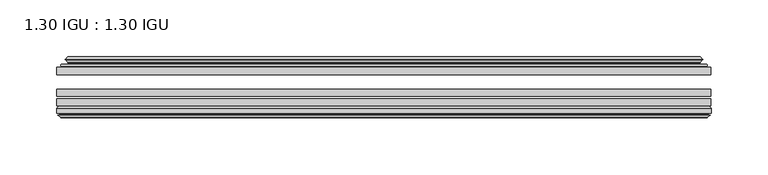
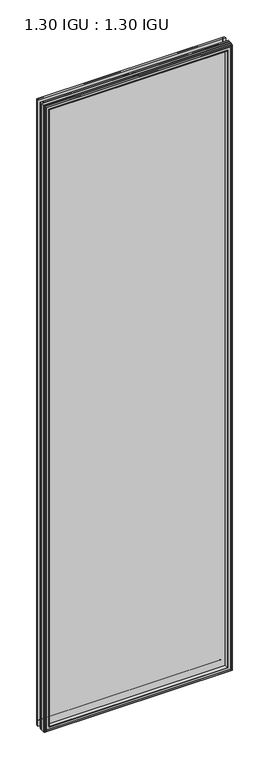
"""IFC4 building model written with IfcOpenShell, lengths in millimetres: plate geometry, 1.30 IGU : 1.30 IGU."""

from ifc_helpers import new_model, si_unit, frame, origin, place, context, project, spatial, polyline, ellipse_curve, outline, extrude, faceted_brep, source, transform, mapped, element, save
from ifc_brep_helpers import plane_surface, cylinder_surface, revolved_surface, advanced_brep


def plate_1_30_igu_1_30_igu_d86e3af8(model_context):
    return source(origin(), model_context, "Body", "SolidModel", [
        extrude(outline(polyline([(287.2705532, -44.92625), (287.2705532, -51.27625), (-287.3375, -51.27625), (-287.3375, -44.92625), (287.2705532, -44.92625)])), frame((0.0, 0.0, -14.2875), z_axis=(0.0, 0.0, 1.0), x_axis=(1.0, 0.0, 0.0)), (0.0, 0.0, 1.0), 2025.65),
        extrude(outline(polyline([(-287.3375, -78.58125), (-287.3375, -72.23125), (287.2705532, -72.23125), (287.2705532, -78.58125), (-287.3375, -78.58125)])), frame((0.0, 0.0, -14.2875), z_axis=(0.0, 0.0, 1.0), x_axis=(1.0, 0.0, 0.0)), (0.0, 0.0, 1.0), 2025.65),
        extrude(outline(polyline([(-287.3375, -70.32625), (-287.3375, -63.97625), (287.2705532, -63.97625), (287.2705532, -70.32625), (-287.3375, -70.32625)])), frame((0.0, 0.0, -14.2875), z_axis=(0.0, 0.0, 1.0), x_axis=(1.0, 0.0, 0.0)), (0.0, 0.0, 1.0), 2025.65),
        advanced_brep(
        [(-269.0022902, -43.8351483, 1993.0272902), (-269.4441004, -44.92625, 1993.4691004), (-269.4441004, -44.92625, 3.6058996), (-269.0022902, -43.8351483, 4.0477098), (-273.05, -36.11245, 1997.075), (-273.05, -36.11245, 0.0), (-278.2359109, -37.2935491, 2002.2609109), (-278.2359109, -37.2935491, -5.1859109), (-277.9063356, -36.4664324, 2001.9313356), (-277.9063356, -36.4664324, -4.8563356), (-277.9063356, -35.6521812, 2001.9313356), (-277.9063356, -35.6521812, -4.8563356), (-279.7226111, -37.610817, 2003.7476111), (-279.7226111, -37.610817, -6.6726111), (-279.7226111, -38.3239429, 2003.7476111), (-279.7226111, -38.3239429, -6.6726111), (-277.9063356, -40.2727974, 2001.9313356), (-277.9063356, -40.2727974, -4.8563356), (-277.9063356, -39.4683275, 2001.9313356), (-277.9063356, -39.4683275, -4.8563356), (-278.2282501, -38.6604367, 2002.2532501), (-278.2282501, -38.6604367, -5.1782501), (-275.7044379, -38.502045, 1999.7294379), (-275.7044379, -38.502045, -2.6544379), (-274.6786217, -39.1897544, 1998.7036217), (-274.6786217, -39.1897544, -1.6286217), (-274.7970288, -40.5842231, 1998.8220288), (-274.7970288, -40.5842231, -1.7470288), (-275.3987748, -42.08145, 1999.4237748), (-275.3987748, -42.08145, -2.3487748), (-283.3245553, -43.9898729, 2007.3495553), (-282.8389245, -42.08145, 2006.8639245), (-282.8389245, -42.08145, -9.7889245), (-283.3245553, -43.9898729, -10.2745553), (-281.6038155, -44.92625, 2005.6288155), (-281.6038155, -44.92625, -8.5538155), (269.4441004, -44.92625, 3.6058996), (269.0022902, -43.8351483, 4.0477098), (273.05, -36.11245, 0.0), (278.2359109, -37.2935491, -5.1859109), (277.9063356, -36.4664324, -4.8563356), (277.9063356, -35.6521812, -4.8563356), (279.7226111, -37.610817, -6.6726111), (279.7226111, -38.3239429, -6.6726111), (277.9063356, -40.2727974, -4.8563356), (277.9063356, -39.4683275, -4.8563356), (278.2282501, -38.6604367, -5.1782501), (275.7044379, -38.502045, -2.6544379), (274.6786217, -39.1897544, -1.6286217), (274.7970288, -40.5842231, -1.7470288), (275.3987748, -42.08145, -2.3487748), (282.8389245, -42.08145, -9.7889245), (283.3245553, -43.9898729, -10.2745553), (281.6038155, -44.92625, -8.5538155), (269.4441004, -44.92625, 1993.4691004), (269.0022902, -43.8351483, 1993.0272902), (273.05, -36.11245, 1997.075), (278.2359109, -37.2935491, 2002.2609109), (277.9063356, -36.4664324, 2001.9313356), (277.9063356, -35.6521812, 2001.9313356), (279.7226111, -37.610817, 2003.7476111), (279.7226111, -38.3239429, 2003.7476111), (277.9063356, -40.2727974, 2001.9313356), (277.9063356, -39.4683275, 2001.9313356), (278.2282501, -38.6604367, 2002.2532501), (275.7044379, -38.502045, 1999.7294379), (274.6786217, -39.1897544, 1998.7036217), (274.7970288, -40.5842231, 1998.8220288), (275.3987748, -42.08145, 1999.4237748), (282.8389245, -42.08145, 2006.8639245), (283.3245553, -43.9898729, 2007.3495553), (281.6038155, -44.92625, 2005.6288155)],
        [
            (0, 1, ellipse_curve(frame((-269.4441004, -44.29125, 1993.4691004), z_axis=(-0.7071067811865475, 0.0, -0.7071067811865475), x_axis=(-0.7071067811865474, 0.0, 0.7071067811865476)), 0.8980256, 0.635)),
            (1, 2),
            (2, 3, ellipse_curve(frame((-269.4441004, -44.29125, 3.6058996), z_axis=(-0.7071067811865475, 0.0, 0.7071067811865475), x_axis=(0.7071067811865474, 0.0, 0.7071067811865476)), 0.8980256, 0.635)),
            (3, 0),
            (4, 0, ellipse_curve(frame((-259.3172054, -33.8367745, 1983.3422054), z_axis=(0.7071067811865475, 0.0, 0.7071067811865475), x_axis=(0.7071067811865474, 0.0, -0.7071067811865476)), 19.6859517, 13.9200699)),
            (3, 5, ellipse_curve(frame((-259.3172054, -33.8367745, 13.7327946), z_axis=(0.7071067811865475, 0.0, -0.7071067811865475), x_axis=(-0.7071067811865474, 0.0, -0.7071067811865476)), 19.6859517, 13.9200699)),
            (5, 4),
            (6, 4),
            (5, 7),
            (7, 6),
            (8, 6),
            (7, 9),
            (9, 8),
            (10, 8),
            (9, 11),
            (11, 10),
            (12, 10),
            (11, 13),
            (13, 12),
            (14, 12, ellipse_curve(frame((-279.3607729, -37.96738, 2003.3857729), z_axis=(-0.7071067811865475, 0.0, -0.7071067811865475), x_axis=(-0.7071067811865474, 0.0, 0.7071067811865476)), 0.7184205, 0.508)),
            (13, 15, ellipse_curve(frame((-279.3607729, -37.96738, -6.3107729), z_axis=(-0.7071067811865475, 0.0, 0.7071067811865475), x_axis=(0.7071067811865474, 0.0, 0.7071067811865476)), 0.7184205, 0.508)),
            (15, 14),
            (16, 14),
            (15, 17),
            (17, 16),
            (18, 16),
            (17, 19),
            (19, 18),
            (20, 18),
            (19, 21),
            (21, 20),
            (22, 20),
            (21, 23),
            (23, 22),
            (24, 22, ellipse_curve(frame((-275.6408, -39.51605, 1999.6658), z_axis=(0.7071067811865475, 0.0, 0.7071067811865475), x_axis=(0.7071067811865474, 0.0, -0.7071067811865476)), 1.436841, 1.016)),
            (23, 25, ellipse_curve(frame((-275.6408, -39.51605, -2.5908), z_axis=(0.7071067811865475, 0.0, -0.7071067811865475), x_axis=(-0.7071067811865474, 0.0, -0.7071067811865476)), 1.436841, 1.016)),
            (25, 24),
            (26, 24, ellipse_curve(frame((-277.0124, -39.69385, 2001.0374), z_axis=(0.7071067811865475, 0.0, 0.7071067811865475), x_axis=(0.7071067811865474, 0.0, -0.7071067811865476)), 3.3765763, 2.3876)),
            (25, 27, ellipse_curve(frame((-277.0124, -39.69385, -3.9624), z_axis=(0.7071067811865475, 0.0, -0.7071067811865475), x_axis=(-0.7071067811865474, 0.0, -0.7071067811865476)), 3.3765763, 2.3876)),
            (27, 26),
            (28, 26),
            (27, 29),
            (29, 28),
            (30, 31, ellipse_curve(frame((-282.8389245, -43.09745, 2006.8639245), z_axis=(-0.7071067811865475, 0.0, -0.7071067811865475), x_axis=(-0.7071067811865474, 0.0, 0.7071067811865476)), 1.436841, 1.016)),
            (31, 32),
            (32, 33, ellipse_curve(frame((-282.8389245, -43.09745, -9.7889245), z_axis=(-0.7071067811865475, 0.0, 0.7071067811865475), x_axis=(0.7071067811865474, 0.0, 0.7071067811865476)), 1.436841, 1.016)),
            (33, 30),
            (34, 30),
            (33, 35),
            (35, 34),
            (2, 36),
            (36, 37, ellipse_curve(frame((269.4441004, -44.29125, 3.6058996), z_axis=(-0.7071067811865475, 0.0, -0.7071067811865475), x_axis=(-0.7071067811865476, 0.0, 0.7071067811865474)), 0.8980256, 0.635)),
            (37, 3),
            (37, 38, ellipse_curve(frame((259.3172054, -33.8367745, 13.7327946), z_axis=(0.7071067811865475, 0.0, 0.7071067811865475), x_axis=(0.7071067811865476, 0.0, -0.7071067811865474)), 19.6859517, 13.9200699)),
            (38, 5),
            (38, 39),
            (39, 7),
            (39, 40),
            (40, 9),
            (40, 41),
            (41, 11),
            (41, 42),
            (42, 13),
            (42, 43, ellipse_curve(frame((279.3607729, -37.96738, -6.3107729), z_axis=(-0.7071067811865475, 0.0, -0.7071067811865475), x_axis=(-0.7071067811865476, 0.0, 0.7071067811865474)), 0.7184205, 0.508)),
            (43, 15),
            (43, 44),
            (44, 17),
            (44, 45),
            (45, 19),
            (45, 46),
            (46, 21),
            (46, 47),
            (47, 23),
            (47, 48, ellipse_curve(frame((275.6408, -39.51605, -2.5908), z_axis=(0.7071067811865475, 0.0, 0.7071067811865475), x_axis=(0.7071067811865476, 0.0, -0.7071067811865474)), 1.436841, 1.016)),
            (48, 25),
            (48, 49, ellipse_curve(frame((277.0124, -39.69385, -3.9624), z_axis=(0.7071067811865475, 0.0, 0.7071067811865475), x_axis=(0.7071067811865476, 0.0, -0.7071067811865474)), 3.3765763, 2.3876)),
            (49, 27),
            (49, 50),
            (50, 29),
            (32, 51),
            (51, 52, ellipse_curve(frame((282.8389245, -43.09745, -9.7889245), z_axis=(-0.7071067811865475, 0.0, -0.7071067811865475), x_axis=(-0.7071067811865476, 0.0, 0.7071067811865474)), 1.436841, 1.016)),
            (52, 33),
            (52, 53),
            (53, 35),
            (36, 54),
            (54, 55, ellipse_curve(frame((269.4441004, -44.29125, 1993.4691004), z_axis=(0.7071067811865475, 0.0, -0.7071067811865475), x_axis=(-0.7071067811865474, 0.0, -0.7071067811865476)), 0.8980256, 0.635)),
            (55, 37),
            (55, 56, ellipse_curve(frame((259.3172054, -33.8367745, 1983.3422054), z_axis=(-0.7071067811865475, 0.0, 0.7071067811865475), x_axis=(0.7071067811865474, 0.0, 0.7071067811865476)), 19.6859517, 13.9200699)),
            (56, 38),
            (56, 57),
            (57, 39),
            (57, 58),
            (58, 40),
            (58, 59),
            (59, 41),
            (59, 60),
            (60, 42),
            (60, 61, ellipse_curve(frame((279.3607729, -37.96738, 2003.3857729), z_axis=(0.7071067811865475, 0.0, -0.7071067811865475), x_axis=(-0.7071067811865474, 0.0, -0.7071067811865476)), 0.7184205, 0.508)),
            (61, 43),
            (61, 62),
            (62, 44),
            (62, 63),
            (63, 45),
            (63, 64),
            (64, 46),
            (64, 65),
            (65, 47),
            (65, 66, ellipse_curve(frame((275.6408, -39.51605, 1999.6658), z_axis=(-0.7071067811865475, 0.0, 0.7071067811865475), x_axis=(0.7071067811865474, 0.0, 0.7071067811865476)), 1.436841, 1.016)),
            (66, 48),
            (66, 67, ellipse_curve(frame((277.0124, -39.69385, 2001.0374), z_axis=(-0.7071067811865475, 0.0, 0.7071067811865475), x_axis=(0.7071067811865474, 0.0, 0.7071067811865476)), 3.3765763, 2.3876)),
            (67, 49),
            (67, 68),
            (68, 50),
            (51, 69),
            (69, 70, ellipse_curve(frame((282.8389245, -43.09745, 2006.8639245), z_axis=(0.7071067811865475, 0.0, -0.7071067811865475), x_axis=(-0.7071067811865474, 0.0, -0.7071067811865476)), 1.436841, 1.016)),
            (70, 52),
            (70, 71),
            (71, 53),
            (54, 1),
            (0, 55),
            (4, 56),
            (6, 57),
            (8, 58),
            (10, 59),
            (12, 60),
            (14, 61),
            (16, 62),
            (18, 63),
            (20, 64),
            (22, 65),
            (24, 66),
            (26, 67),
            (28, 68),
            (31, 69),
            (30, 70),
            (34, 71),
        ],
        [
            cylinder_surface(frame((-269.4441004, -44.29125, 2028.825), z_axis=(0.0, 0.0, 1.0), x_axis=(-1.0, 0.0, 0.0)), 0.635),
            revolved_surface(polyline([(-273.23727529999996, -33.8367745, -0.18727534118079348), (-273.23727529999996, -33.8367745, 1997.2622753411808)]), (-259.3172054, -33.8367745, 2028.825), (0.0, 0.0, -1.0)),
            plane_surface(frame((-273.05, -36.11245, 1997.075), z_axis=(-0.2220649844277866, 0.975031867525922, 0.0), x_axis=(0.0, 0.0, -1.0))),
            plane_surface(frame((-278.2359109, -37.2935491, 2002.2609109), z_axis=(0.9289682685629922, -0.3701593656833182, 0.0), x_axis=(0.0, 0.0, -1.0))),
            plane_surface(frame((-277.9063356, -36.4664324, 2001.9313356), z_axis=(1.0, 0.0, 0.0), x_axis=(0.0, 0.0, -1.0))),
            plane_surface(frame((-277.9063356, -35.6521812, 2001.9313356), z_axis=(-0.7332521292723956, 0.6799568478348447, 0.0), x_axis=(0.0, 0.0, -1.0))),
            cylinder_surface(frame((-279.3607729, -37.96738, 2028.825), z_axis=(0.0, 0.0, 1.0), x_axis=(-1.0, 0.0, 0.0)), 0.508),
            plane_surface(frame((-279.7226111, -38.3239429, 2003.7476111), z_axis=(-0.7315522693036389, -0.6817853601220082, 0.0), x_axis=(0.0, 0.0, -1.0))),
            plane_surface(frame((-277.9063356, -40.2727974, 2001.9313356), z_axis=(1.0, 0.0, 0.0), x_axis=(0.0, 0.0, -1.0))),
            plane_surface(frame((-277.9063356, -39.4683275, 2001.9313356), z_axis=(0.9289682685631103, 0.37015936568302166, 0.0), x_axis=(0.0, 0.0, -1.0))),
            plane_surface(frame((-278.2282501, -38.6604367, 2002.2532501), z_axis=(0.06263570119321646, -0.9980364567169048, 0.0), x_axis=(0.0, 0.0, -1.0))),
            revolved_surface(polyline([(-276.65680000000003, -39.51605, -3.6068000145867245), (-276.65680000000003, -39.51605, 2000.6818000145868)]), (-275.6408, -39.51605, 2028.825), (0.0, 0.0, -1.0)),
            revolved_surface(polyline([(-279.40000000000003, -39.69385, -6.3499999989237494), (-279.40000000000003, -39.69385, 2003.4249999989238)]), (-277.0124, -39.69385, 2028.825), (0.0, 0.0, -1.0)),
            plane_surface(frame((-274.7970288, -40.5842231, 1998.8220288), z_axis=(-0.9278652925428912, 0.372915538553028, 0.0), x_axis=(0.0, 0.0, -1.0))),
            cylinder_surface(frame((-282.8389245, -43.09745, 2028.825), z_axis=(0.0, 0.0, 1.0), x_axis=(-1.0, 0.0, 0.0)), 1.016),
            plane_surface(frame((-283.3245553, -43.9898729, 2007.3495553), z_axis=(-0.477983117370979, -0.8783690223979447, 0.0), x_axis=(0.0, 0.0, -1.0))),
            cylinder_surface(frame((-304.8, -44.29125, 3.6058996), z_axis=(-1.0, 0.0, 0.0), x_axis=(0.0, 0.0, -1.0)), 0.635),
            revolved_surface(polyline([(273.2372753411808, -33.8367745, -0.1872752999999996), (-273.2372753411808, -33.8367745, -0.1872752999999996)]), (-304.8, -33.8367745, 13.7327946), (1.0, 0.0, 0.0)),
            plane_surface(frame((-273.05, -36.11245, 0.0), z_axis=(0.0, 0.9750318675259213, -0.22206498442778974), x_axis=(1.0, 0.0, 0.0))),
            plane_surface(frame((-278.2359109, -37.2935491, -5.1859109), z_axis=(0.0, -0.3701593656833152, 0.9289682685629934), x_axis=(1.0, 0.0, 0.0))),
            plane_surface(frame((-277.9063356, -36.4664324, -4.8563356), z_axis=(0.0, 0.0, 1.0), x_axis=(1.0, 0.0, 0.0))),
            plane_surface(frame((-277.9063356, -35.6521812, -4.8563356), z_axis=(0.0, 0.6799568478348423, -0.7332521292723978), x_axis=(1.0, 0.0, 0.0))),
            cylinder_surface(frame((-304.8, -37.96738, -6.3107729), z_axis=(-1.0, 0.0, 0.0), x_axis=(0.0, 0.0, -1.0)), 0.508),
            plane_surface(frame((-279.7226111, -38.3239429, -6.6726111), z_axis=(0.0, -0.6817853601220105, -0.7315522693036367), x_axis=(1.0, 0.0, 0.0))),
            plane_surface(frame((-277.9063356, -40.2727974, -4.8563356), z_axis=(0.0, 0.0, 1.0), x_axis=(1.0, 0.0, 0.0))),
            plane_surface(frame((-277.9063356, -39.4683275, -4.8563356), z_axis=(0.0, 0.37015936568302465, 0.9289682685631091), x_axis=(1.0, 0.0, 0.0))),
            plane_surface(frame((-278.2282501, -38.6604367, -5.1782501), z_axis=(0.0, -0.9980364567169046, 0.06263570119321968), x_axis=(1.0, 0.0, 0.0))),
            revolved_surface(polyline([(276.65680001458696, -39.51605, -3.6068000000000002), (-276.65680001458685, -39.51605, -3.6068000000000002)]), (-304.8, -39.51605, -2.5908), (1.0, 0.0, 0.0)),
            revolved_surface(polyline([(279.39999999892376, -39.69385, -6.35), (-279.3999999989238, -39.69385, -6.35)]), (-304.8, -39.69385, -3.9624), (1.0, 0.0, 0.0)),
            plane_surface(frame((-274.7970288, -40.5842231, -1.7470288), z_axis=(0.0, 0.372915538553025, -0.9278652925428924), x_axis=(1.0, 0.0, 0.0))),
            cylinder_surface(frame((-304.8, -43.09745, -9.7889245), z_axis=(-1.0, 0.0, 0.0), x_axis=(0.0, 0.0, -1.0)), 1.016),
            plane_surface(frame((-283.3245553, -43.9898729, -10.2745553), z_axis=(0.0, -0.8783690223979462, -0.47798311737097615), x_axis=(1.0, 0.0, 0.0))),
            cylinder_surface(frame((269.4441004, -44.29125, -31.75), z_axis=(0.0, 0.0, -1.0), x_axis=(1.0, 0.0, 0.0)), 0.635),
            revolved_surface(polyline([(273.23727529999996, -33.8367745, 1997.2622753411808), (273.23727529999996, -33.8367745, -0.1872753411808432)]), (259.3172054, -33.8367745, -31.75), (0.0, 0.0, 1.0)),
            plane_surface(frame((273.05, -36.11245, 0.0), z_axis=(0.22206498442779285, 0.9750318675259205, 0.0), x_axis=(0.0, 0.0, 1.0))),
            plane_surface(frame((278.2359109, -37.2935491, -5.1859109), z_axis=(-0.9289682685629946, -0.3701593656833122, 0.0), x_axis=(0.0, 0.0, 1.0))),
            plane_surface(frame((277.9063356, -36.4664324, -4.8563356), z_axis=(-1.0, 0.0, 0.0), x_axis=(0.0, 0.0, 1.0))),
            plane_surface(frame((277.9063356, -35.6521812, -4.8563356), z_axis=(0.7332521292724, 0.67995684783484, 0.0), x_axis=(0.0, 0.0, 1.0))),
            cylinder_surface(frame((279.3607729, -37.96738, -31.75), z_axis=(0.0, 0.0, -1.0), x_axis=(1.0, 0.0, 0.0)), 0.508),
            plane_surface(frame((279.7226111, -38.3239429, -6.6726111), z_axis=(0.7315522693036345, -0.6817853601220129, 0.0), x_axis=(0.0, 0.0, 1.0))),
            plane_surface(frame((277.9063356, -40.2727974, -4.8563356), z_axis=(-1.0, 0.0, 0.0), x_axis=(0.0, 0.0, 1.0))),
            plane_surface(frame((277.9063356, -39.4683275, -4.8563356), z_axis=(-0.928968268563108, 0.3701593656830277, 0.0), x_axis=(0.0, 0.0, 1.0))),
            plane_surface(frame((278.2282501, -38.6604367, -5.1782501), z_axis=(-0.0626357011932229, -0.9980364567169043, 0.0), x_axis=(0.0, 0.0, 1.0))),
            revolved_surface(polyline([(276.65680000000003, -39.51605, 2000.6818000145868), (276.65680000000003, -39.51605, -3.606800014586863)]), (275.6408, -39.51605, -31.75), (0.0, 0.0, 1.0)),
            revolved_surface(polyline([(279.40000000000003, -39.69385, 2003.4249999989238), (279.40000000000003, -39.69385, -6.349999998923781)]), (277.0124, -39.69385, -31.75), (0.0, 0.0, 1.0)),
            plane_surface(frame((274.7970288, -40.5842231, -1.7470288), z_axis=(0.9278652925428936, 0.372915538553022, 0.0), x_axis=(0.0, 0.0, 1.0))),
            cylinder_surface(frame((282.8389245, -43.09745, -31.75), z_axis=(0.0, 0.0, -1.0), x_axis=(1.0, 0.0, 0.0)), 1.016),
            plane_surface(frame((283.3245553, -43.9898729, -10.2745553), z_axis=(0.4779831173709733, -0.8783690223979478, 0.0), x_axis=(0.0, 0.0, 1.0))),
            cylinder_surface(frame((304.8, -44.29125, 1993.4691004), z_axis=(1.0, 0.0, 0.0), x_axis=(0.0, 0.0, 1.0)), 0.635),
            revolved_surface(polyline([(-273.2372753411808, -33.8367745, 1997.2622753), (273.2372753411808, -33.8367745, 1997.2622753)]), (304.8, -33.8367745, 1983.3422054), (-1.0, 0.0, 0.0)),
            plane_surface(frame((273.05, -36.11245, 1997.075), z_axis=(0.0, 0.9750318675259212, 0.2220649844277897), x_axis=(-1.0, 0.0, 0.0))),
            plane_surface(frame((278.2359109, -37.2935491, 2002.2609109), z_axis=(0.0, -0.3701593656833152, -0.9289682685629934), x_axis=(-1.0, 0.0, 0.0))),
            plane_surface(frame((277.9063356, -36.4664324, 2001.9313356), z_axis=(0.0, 0.0, -1.0), x_axis=(-1.0, 0.0, 0.0))),
            plane_surface(frame((277.9063356, -35.6521812, 2001.9313356), z_axis=(0.0, 0.6799568478348423, 0.7332521292723978), x_axis=(-1.0, 0.0, 0.0))),
            cylinder_surface(frame((304.8, -37.96738, 2003.3857729), z_axis=(1.0, 0.0, 0.0), x_axis=(0.0, 0.0, 1.0)), 0.508),
            plane_surface(frame((279.7226111, -38.3239429, 2003.7476111), z_axis=(0.0, -0.6817853601220105, 0.7315522693036367), x_axis=(-1.0, 0.0, 0.0))),
            plane_surface(frame((277.9063356, -40.2727974, 2001.9313356), z_axis=(0.0, 0.0, -1.0), x_axis=(-1.0, 0.0, 0.0))),
            plane_surface(frame((277.9063356, -39.4683275, 2001.9313356), z_axis=(0.0, 0.3701593656830247, -0.9289682685631092), x_axis=(-1.0, 0.0, 0.0))),
            plane_surface(frame((278.2282501, -38.6604367, 2002.2532501), z_axis=(0.0, -0.9980364567169046, -0.06263570119321968), x_axis=(-1.0, 0.0, 0.0))),
            revolved_surface(polyline([(-276.65680001458696, -39.51605, 2000.6818), (276.65680001458685, -39.51605, 2000.6818)]), (304.8, -39.51605, 1999.6658), (-1.0, 0.0, 0.0)),
            revolved_surface(polyline([(-279.39999999892376, -39.69385, 2003.425), (279.3999999989238, -39.69385, 2003.425)]), (304.8, -39.69385, 2001.0374), (-1.0, 0.0, 0.0)),
            plane_surface(frame((274.7970288, -40.5842231, 1998.8220288), z_axis=(0.0, 0.372915538553025, 0.9278652925428924), x_axis=(-1.0, 0.0, 0.0))),
            plane_surface(frame((275.3987748, -42.08145, 1999.4237748), z_axis=(0.0, 1.0, 0.0), x_axis=(-1.0, 0.0, 0.0))),
            cylinder_surface(frame((304.8, -43.09745, 2006.8639245), z_axis=(1.0, 0.0, 0.0), x_axis=(0.0, 0.0, 1.0)), 1.016),
            plane_surface(frame((283.3245553, -43.9898729, 2007.3495553), z_axis=(0.0, -0.8783690223979462, 0.47798311737097615), x_axis=(-1.0, 0.0, 0.0))),
            plane_surface(frame((281.6038155, -44.92625, 2005.6288155), z_axis=(0.0, -1.0, 0.0), x_axis=(-1.0, 0.0, 0.0))),
        ],
        [
            (0, [[1, 2, 3, 4]]),
            (1, [[5, -4, 6, 7]]),
            (2, [[8, -7, 9, 10]]),
            (3, [[11, -10, 12, 13]]),
            (4, [[14, -13, 15, 16]]),
            (5, [[17, -16, 18, 19]]),
            (6, [[20, -19, 21, 22]]),
            (7, [[23, -22, 24, 25]]),
            (8, [[26, -25, 27, 28]]),
            (9, [[29, -28, 30, 31]]),
            (10, [[32, -31, 33, 34]]),
            (11, [[35, -34, 36, 37]]),
            (12, [[38, -37, 39, 40]]),
            (13, [[41, -40, 42, 43]]),
            (14, [[44, 45, 46, 47]]),
            (15, [[48, -47, 49, 50]]),
            (16, [[-3, 51, 52, 53]]),
            (17, [[-6, -53, 54, 55]]),
            (18, [[-9, -55, 56, 57]]),
            (19, [[-12, -57, 58, 59]]),
            (20, [[-15, -59, 60, 61]]),
            (21, [[-18, -61, 62, 63]]),
            (22, [[-21, -63, 64, 65]]),
            (23, [[-24, -65, 66, 67]]),
            (24, [[-27, -67, 68, 69]]),
            (25, [[-30, -69, 70, 71]]),
            (26, [[-33, -71, 72, 73]]),
            (27, [[-36, -73, 74, 75]]),
            (28, [[-39, -75, 76, 77]]),
            (29, [[-42, -77, 78, 79]]),
            (30, [[-46, 80, 81, 82]]),
            (31, [[-49, -82, 83, 84]]),
            (32, [[-52, 85, 86, 87]]),
            (33, [[-54, -87, 88, 89]]),
            (34, [[-56, -89, 90, 91]]),
            (35, [[-58, -91, 92, 93]]),
            (36, [[-60, -93, 94, 95]]),
            (37, [[-62, -95, 96, 97]]),
            (38, [[-64, -97, 98, 99]]),
            (39, [[-66, -99, 100, 101]]),
            (40, [[-68, -101, 102, 103]]),
            (41, [[-70, -103, 104, 105]]),
            (42, [[-72, -105, 106, 107]]),
            (43, [[-74, -107, 108, 109]]),
            (44, [[-76, -109, 110, 111]]),
            (45, [[-78, -111, 112, 113]]),
            (46, [[-81, 114, 115, 116]]),
            (47, [[-83, -116, 117, 118]]),
            (48, [[-86, 119, -1, 120]]),
            (49, [[-88, -120, -5, 121]]),
            (50, [[-90, -121, -8, 122]]),
            (51, [[-92, -122, -11, 123]]),
            (52, [[-94, -123, -14, 124]]),
            (53, [[-96, -124, -17, 125]]),
            (54, [[-98, -125, -20, 126]]),
            (55, [[-100, -126, -23, 127]]),
            (56, [[-102, -127, -26, 128]]),
            (57, [[-104, -128, -29, 129]]),
            (58, [[-106, -129, -32, 130]]),
            (59, [[-108, -130, -35, 131]]),
            (60, [[-110, -131, -38, 132]]),
            (61, [[-112, -132, -41, 133]]),
            (62, [[134, -114, -80, -45], [-79, -113, -133, -43]]),
            (63, [[-115, -134, -44, 135]]),
            (64, [[-117, -135, -48, 136]]),
            (65, [[-84, -118, -136, -50], [-119, -85, -51, -2]]),
        ],
    ),
        faceted_brep([(-269.1957827, -78.58125, 1993.2207827), (-271.7620798, -87.47125, 1995.7870798), (-271.7620798, -87.47125, 1.2879202), (-269.1957827, -78.58125, 3.8542173), (-287.3502, -80.7883102, 2011.3752), (-285.1431398, -78.58125, 2009.1681398), (-285.1431398, -78.58125, -12.0931398), (-287.3502, -80.7883102, -14.3002), (-287.3502, -84.93125, 2011.3752), (-287.3502, -84.93125, -14.3002), (-284.9311775, -86.11489, 2008.9561775), (-285.7703682, -84.93125, 2009.7953682), (-285.7703682, -84.93125, -12.7203682), (-284.9311775, -86.11489, -11.8811775), (-284.734, -87.4125884, 2008.759), (-284.734, -87.4125884, -11.684), (-285.70966, -86.8828917, 2009.73466), (-285.70966, -86.8828917, -12.65966), (-284.1752, -88.6999663, 2008.2002), (-286.5023305, -86.8828917, 2010.5273305), (-286.5023305, -86.8828917, -13.4523305), (-284.1752, -88.6999663, -11.1252), (-281.8480695, -86.8828917, 2005.8730695), (-281.8480695, -86.8828917, -8.7980695), (-283.6164, -87.4125884, 2007.6414), (-282.64074, -86.8828917, 2006.66574), (-282.64074, -86.8828917, -9.59074), (-283.6164, -87.4125884, -10.5664), (-283.4192225, -86.11489, 2007.4442225), (-283.4192225, -86.11489, -10.3692225), (-282.5496, -84.93125, 2006.5746), (-282.5496, -84.93125, -9.4996), (-273.4013667, -87.47125, 1997.4263667), (-272.8722, -84.93125, 1996.8972), (-272.8722, -84.93125, 0.1778), (-273.4013667, -87.47125, -0.3513667), (271.7620798, -87.47125, 1.2879202), (269.1957827, -78.58125, 3.8542173), (285.1431398, -78.58125, -12.0931398), (287.3502, -80.7883102, -14.3002), (287.3502, -84.93125, -14.3002), (285.7703682, -84.93125, -12.7203682), (284.9311775, -86.11489, -11.8811775), (284.734, -87.4125884, -11.684), (285.70966, -86.8828917, -12.65966), (286.5023305, -86.8828917, -13.4523305), (284.1752, -88.6999663, -11.1252), (281.8480695, -86.8828917, -8.7980695), (282.64074, -86.8828917, -9.59074), (283.6164, -87.4125884, -10.5664), (283.4192225, -86.11489, -10.3692225), (282.5496, -84.93125, -9.4996), (272.8722, -84.93125, 0.1778), (273.4013667, -87.47125, -0.3513667), (271.7620798, -87.47125, 1995.7870798), (269.1957827, -78.58125, 1993.2207827), (285.1431398, -78.58125, 2009.1681398), (287.3502, -80.7883102, 2011.3752), (287.3502, -84.93125, 2011.3752), (285.7703682, -84.93125, 2009.7953682), (284.9311775, -86.11489, 2008.9561775), (284.734, -87.4125884, 2008.759), (285.70966, -86.8828917, 2009.73466), (286.5023305, -86.8828917, 2010.5273305), (284.1752, -88.6999663, 2008.2002), (281.8480695, -86.8828917, 2005.8730695), (282.64074, -86.8828917, 2006.66574), (283.6164, -87.4125884, 2007.6414), (283.4192225, -86.11489, 2007.4442225), (282.5496, -84.93125, 2006.5746), (272.8722, -84.93125, 1996.8972), (273.4013667, -87.47125, 1997.4263667)], [[[0, 1, 2, 3]], [[4, 5, 6, 7]], [[8, 4, 7, 9]], [[10, 11, 12, 13]], [[14, 10, 13, 15]], [[16, 14, 15, 17]], [[18, 19, 20, 21]], [[22, 18, 21, 23]], [[24, 25, 26, 27]], [[28, 24, 27, 29]], [[30, 28, 29, 31]], [[32, 33, 34, 35]], [[3, 2, 36, 37]], [[7, 6, 38, 39]], [[9, 7, 39, 40]], [[13, 12, 41, 42]], [[15, 13, 42, 43]], [[17, 15, 43, 44]], [[21, 20, 45, 46]], [[23, 21, 46, 47]], [[27, 26, 48, 49]], [[29, 27, 49, 50]], [[31, 29, 50, 51]], [[35, 34, 52, 53]], [[37, 36, 54, 55]], [[39, 38, 56, 57]], [[40, 39, 57, 58]], [[42, 41, 59, 60]], [[43, 42, 60, 61]], [[44, 43, 61, 62]], [[46, 45, 63, 64]], [[47, 46, 64, 65]], [[49, 48, 66, 67]], [[50, 49, 67, 68]], [[51, 50, 68, 69]], [[53, 52, 70, 71]], [[55, 54, 1, 0]], [[5, 56, 38, 6], [3, 37, 55, 0]], [[57, 56, 5, 4]], [[58, 57, 4, 8]], [[9, 40, 58, 8], [11, 59, 41, 12]], [[60, 59, 11, 10]], [[61, 60, 10, 14]], [[62, 61, 14, 16]], [[19, 63, 45, 20], [17, 44, 62, 16]], [[64, 63, 19, 18]], [[65, 64, 18, 22]], [[25, 66, 48, 26], [23, 47, 65, 22]], [[67, 66, 25, 24]], [[68, 67, 24, 28]], [[69, 68, 28, 30]], [[31, 51, 69, 30], [33, 70, 52, 34]], [[71, 70, 33, 32]], [[35, 53, 71, 32], [1, 54, 36, 2]]]),
    ])


if __name__ == "__main__":
    model = new_model("IFC4")
    model_context = context("Model", 3, world=origin())
    ifc_project = project(units=[si_unit("LENGTHUNIT", "METRE", prefix="MILLI")], contexts=[model_context])
    site = spatial("IfcSite", under=ifc_project)
    building = spatial("IfcBuilding", under=site)
    placement = place(None, origin())
    plate_1_30_igu_1_30_igu_shape = plate_1_30_igu_1_30_igu_d86e3af8(model_context)
    element("IfcPlate", 1, ObjectType="1.30 IGU : 1.30 IGU", at=placement, inside=building, context=model_context, shape_type="MappedRepresentation", body=[
        mapped(plate_1_30_igu_1_30_igu_shape, transform((0.0, 0.0, 0.0), x_axis=(1.0, 0.0, 0.0), y_axis=(0.0, 1.0, 0.0), z_axis=(0.0, 0.0, 1.0))),
    ])
    save(model, "model.ifc")
